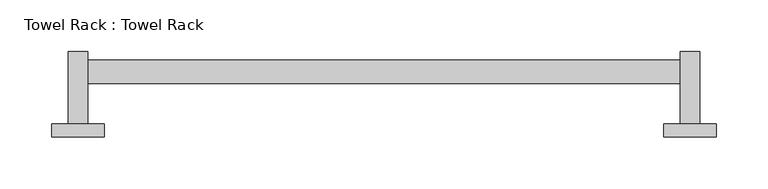
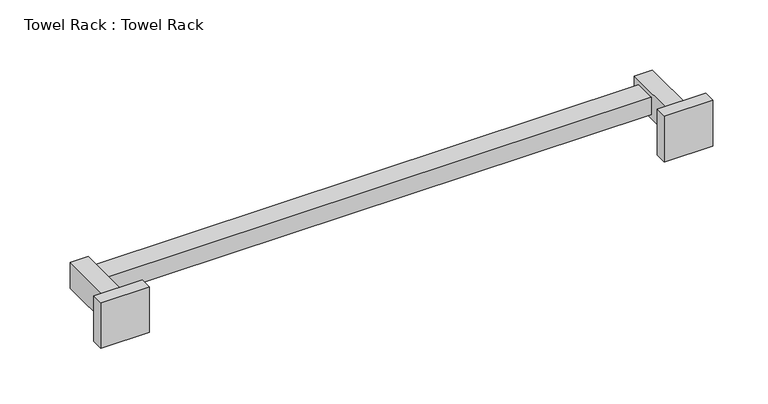
"""IFC4 building model written with IfcOpenShell, lengths in millimetres: proxy geometry, Towel Rack : Towel Rack."""

from ifc_helpers import new_model, si_unit, frame, origin, place, context, project, spatial, polyline, outline, extrude, source, transform, mapped, element, save


def towel_rack_towel_rack_8d397afd(model_context):
    return source(origin(), model_context, "Body", "SweptSolid", [
        extrude(outline(polyline([(161.925, 113.5826627), (-409.575, 113.5826627), (-409.575, 136.3654015), (161.925, 136.3654015), (161.925, 113.5826627)])), frame((0.0, 0.0, 1184.275), z_axis=(0.0, 0.0, 1.0), x_axis=(1.0, 0.0, 0.0)), (0.0, 0.0, 1.0), 19.05),
        extrude(outline(polyline([(180.975, 74.6125), (161.925, 74.6125), (161.925, 144.4625), (180.975, 144.4625), (180.975, 74.6125)])), frame((0.0, 0.0, 1179.5365128), z_axis=(0.0, 0.0, 1.0), x_axis=(1.0, 0.0, 0.0)), (0.0, 0.0, 1.0), 28.5269744),
        extrude(outline(polyline([(146.05, 74.6125), (196.85, 74.6125), (196.85, 61.9125), (146.05, 61.9125), (146.05, 74.6125)])), frame((0.0, 0.0, 1168.4), z_axis=(0.0, 0.0, 1.0), x_axis=(1.0, 0.0, 0.0)), (0.0, 0.0, 1.0), 50.8),
        extrude(outline(polyline([(-409.575, 74.6125), (-428.625, 74.6125), (-428.625, 144.4625), (-409.575, 144.4625), (-409.575, 74.6125)])), frame((0.0, 0.0, 1179.5365128), z_axis=(0.0, 0.0, 1.0), x_axis=(1.0, 0.0, 0.0)), (0.0, 0.0, 1.0), 28.5269744),
        extrude(outline(polyline([(-393.7, 74.6125), (-393.7, 61.9125), (-444.5, 61.9125), (-444.5, 74.6125), (-393.7, 74.6125)])), frame((0.0, 0.0, 1168.4), z_axis=(0.0, 0.0, 1.0), x_axis=(1.0, 0.0, 0.0)), (0.0, 0.0, 1.0), 50.8),
    ])


if __name__ == "__main__":
    model = new_model("IFC4")
    model_context = context("Model", 3, world=origin())
    ifc_project = project(units=[si_unit("LENGTHUNIT", "METRE", prefix="MILLI")], contexts=[model_context])
    site = spatial("IfcSite", under=ifc_project)
    building = spatial("IfcBuilding", under=site)
    placement = place(None, origin())
    towel_rack_towel_rack_shape = towel_rack_towel_rack_8d397afd(model_context)
    element("IfcBuildingElementProxy", 1, Name="Towel Rack : Towel Rack", ObjectType="Towel Rack : Towel Rack", at=placement, inside=building, context=model_context, shape_type="MappedRepresentation", body=[
        mapped(towel_rack_towel_rack_shape, transform((0.0, 0.0, 0.0), x_axis=(1.0, 0.0, 0.0), y_axis=(0.0, 1.0, 0.0), z_axis=(0.0, 0.0, 1.0))),
    ])
    save(model, "model.ifc")
